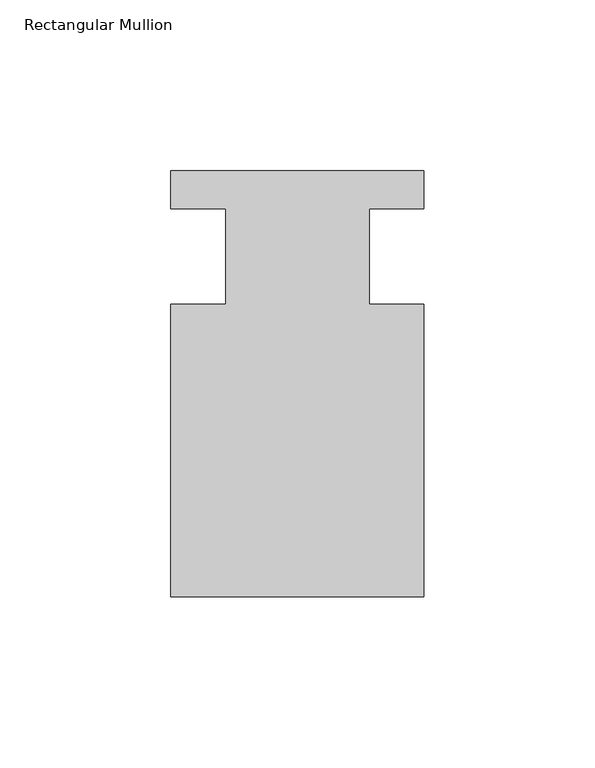
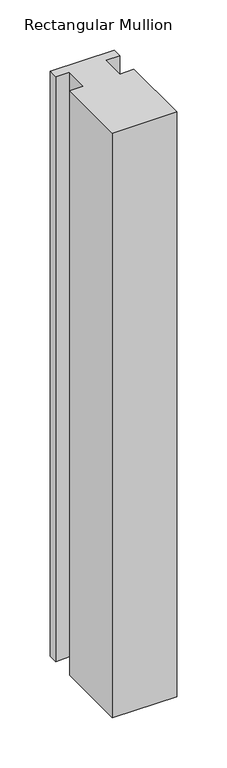
"""IFC4 building model written with IfcOpenShell, lengths in millimetres: member geometry, Rectangular Mullion."""

from ifc_helpers import new_model, si_unit, frame, origin, place, context, project, spatial, polyline, outline, extrude, source, transform, mapped, element, save


def rectangular_mullion_c2d0fb58(model_context):
    return source(origin(), model_context, "Body", "SweptSolid", [
        extrude(outline(polyline([(-20.9800745, -13.9998907), (-20.9800745, 14.0), (-37.0, 14.0), (-37.0, 25.0), (36.9800745, 25.0), (36.9800745, 14.0), (20.9800745, 14.0), (20.9800745, -13.9998907), (37.0, -13.9998907), (37.0, -99.5), (-37.0, -99.5), (-37.0, -13.9998907), (-20.9800745, -13.9998907)])), frame((0.0, 0.0, -713.093636), z_axis=(0.0, 0.0, 1.0), x_axis=(1.0, 0.0, 0.0)), (0.0, 0.0, 1.0), 713.093636),
    ])


if __name__ == "__main__":
    model = new_model("IFC4")
    model_context = context("Model", 3, world=origin())
    ifc_project = project(units=[si_unit("LENGTHUNIT", "METRE", prefix="MILLI")], contexts=[model_context])
    site = spatial("IfcSite", under=ifc_project)
    building = spatial("IfcBuilding", under=site)
    placement = place(None, origin())
    rectangular_mullion_shape = rectangular_mullion_c2d0fb58(model_context)
    element("IfcMember", 1, ObjectType="Rectangular Mullion", at=placement, inside=building, context=model_context, shape_type="MappedRepresentation", body=[
        mapped(rectangular_mullion_shape, transform((0.0, 0.0, 0.0), x_axis=(1.0, 0.0, 0.0), y_axis=(0.0, 1.0, 0.0), z_axis=(0.0, 0.0, 1.0))),
    ])
    save(model, "model.ifc")
